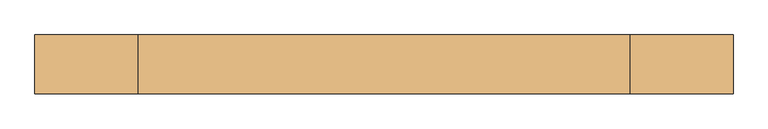
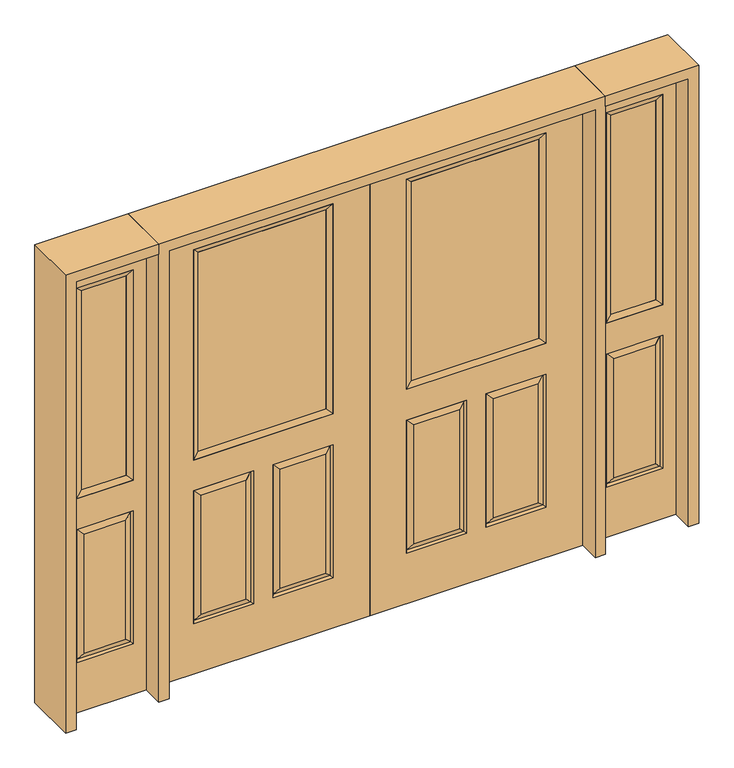
"""IFC4 building model written with IfcOpenShell, lengths in millimetres: door geometry."""

from ifc_helpers import new_model, si_unit, frame, origin, place, context, project, spatial, polyline, outline, extrude, faceted_brep, source, transform, mapped, element, save


def door_e7395d15(model_context):
    return source(origin(), model_context, "Body", "SolidModel", [
        faceted_brep([(914.4, -22.225, 0.0), (914.4, -22.225, 2032.0), (0.0, -22.225, 2032.0), (0.0, -22.225, 0.0), (756.539, -22.225, 971.55), (157.861, -22.225, 971.55), (157.861, -22.225, 1925.574), (756.539, -22.225, 1925.574), (756.539, -22.225, 831.85), (756.539, -22.225, 228.6), (498.475, -22.225, 228.6), (498.475, -22.225, 831.85), (415.925, -22.225, 831.85), (415.925, -22.225, 228.6), (157.861, -22.225, 228.6), (157.861, -22.225, 831.85), (530.225, -22.225, 800.1), (530.225, -22.225, 260.35), (724.789, -22.225, 260.35), (724.789, -22.225, 800.1), (189.611, -22.225, 800.1), (189.611, -22.225, 260.35), (384.175, -22.225, 260.35), (384.175, -22.225, 800.1), (0.0, 22.225, 0.0), (914.4, 22.225, 0.0), (0.0, 22.225, 2032.0), (914.4, 22.225, 2032.0), (756.539, 22.225, 1925.574), (756.539, 22.225, 971.55), (157.861, 22.225, 971.55), (157.861, 22.225, 1925.574), (498.475, 22.225, 831.85), (498.475, 22.225, 228.6), (756.539, 22.225, 228.6), (756.539, 22.225, 831.85), (157.861, 22.225, 831.85), (157.861, 22.225, 228.6), (415.925, 22.225, 228.6), (415.925, 22.225, 831.85), (724.789, 22.225, 800.1), (724.789, 22.225, 260.35), (530.225, 22.225, 260.35), (530.225, 22.225, 800.1), (384.175, 22.225, 800.1), (384.175, 22.225, 260.35), (189.611, 22.225, 260.35), (189.611, 22.225, 800.1), (749.39525, -12.7449236, 824.70625), (505.61875, -12.7449236, 824.70625), (749.39525, -12.7449236, 235.74375), (505.61875, -12.7449236, 235.74375), (165.00475, -12.7449236, 824.70625), (408.78125, -12.7449236, 824.70625), (408.78125, -12.7449236, 235.74375), (165.00475, -12.7449236, 235.74375), (749.39525, 12.7449236, 824.70625), (505.61875, 12.7449236, 824.70625), (505.61875, 12.7449236, 235.74375), (749.39525, 12.7449236, 235.74375), (165.00475, 12.7449236, 824.70625), (408.78125, 12.7449236, 824.70625), (165.00475, 12.7449236, 235.74375), (408.78125, 12.7449236, 235.74375)], [[[0, 1, 2, 3], [4, 5, 6, 7], [8, 9, 10, 11], [12, 13, 14, 15]], [[16, 17, 18, 19]], [[20, 21, 22, 23]], [[3, 24, 25, 0]], [[2, 26, 24, 3]], [[0, 25, 27, 1]], [[7, 28, 29, 4]], [[5, 30, 31, 6]], [[4, 29, 30, 5]], [[25, 24, 26, 27], [29, 28, 31, 30], [32, 33, 34, 35], [36, 37, 38, 39]], [[40, 41, 42, 43]], [[44, 45, 46, 47]], [[1, 27, 26, 2]], [[6, 31, 28, 7]], [[16, 19, 48, 49]], [[19, 18, 50, 48]], [[51, 50, 18, 17]], [[49, 51, 17, 16]], [[48, 8, 11, 49]], [[11, 10, 51, 49]], [[10, 9, 50, 51]], [[48, 50, 9, 8]], [[52, 20, 23, 53]], [[23, 22, 54, 53]], [[22, 21, 55, 54]], [[52, 55, 21, 20]], [[53, 12, 15, 52]], [[15, 14, 55, 52]], [[54, 55, 14, 13]], [[53, 54, 13, 12]], [[56, 40, 43, 57]], [[43, 42, 58, 57]], [[42, 41, 59, 58]], [[56, 59, 41, 40]], [[57, 32, 35, 56]], [[35, 34, 59, 56]], [[58, 59, 34, 33]], [[57, 58, 33, 32]], [[44, 47, 60, 61]], [[47, 46, 62, 60]], [[63, 62, 46, 45]], [[61, 63, 45, 44]], [[60, 36, 39, 61]], [[39, 38, 63, 61]], [[38, 37, 62, 63]], [[60, 62, 37, 36]]]),
        extrude(outline(polyline([(183.261, -12.7), (183.261, 12.7), (731.139, 12.7), (731.139, -12.7), (183.261, -12.7)])), frame((0.0, 0.0, 996.95), z_axis=(0.0, 0.0, 1.0), x_axis=(1.0, 0.0, 0.0)), (0.0, 0.0, 1.0), 903.224),
        faceted_brep([(756.539, -22.225, 1925.574), (756.539, -22.225, 971.55), (756.539, 22.225, 971.55), (756.539, 22.225, 1925.574), (157.861, -22.225, 971.55), (157.861, 22.225, 971.55), (183.261, 12.7, 996.95), (731.139, 12.7, 996.95), (157.861, -22.225, 1925.574), (157.861, 22.225, 1925.574), (731.139, -12.7, 996.95), (183.261, -12.7, 996.95), (731.139, -12.7, 1900.174), (183.261, -12.7, 1900.174), (731.139, 12.7, 1900.174), (183.261, 12.7, 1900.174)], [[[0, 1, 2, 3]], [[1, 4, 5, 2]], [[2, 5, 6, 7]], [[4, 8, 9, 5]], [[10, 11, 4, 1]], [[12, 10, 1, 0]], [[11, 13, 8, 4]], [[7, 6, 11, 10]], [[14, 7, 10, 12]], [[6, 15, 13, 11]], [[3, 2, 7, 14]], [[5, 9, 15, 6]], [[8, 0, 3, 9]], [[13, 12, 0, 8]], [[15, 14, 12, 13]], [[9, 3, 14, 15]]]),
        faceted_brep([(-914.4, -22.225, 0.0), (0.0, -22.225, 0.0), (0.0, -22.225, 2032.0), (-914.4, -22.225, 2032.0), (-756.539, -22.225, 971.55), (-756.539, -22.225, 1925.574), (-157.861, -22.225, 1925.574), (-157.861, -22.225, 971.55), (-756.539, -22.225, 831.85), (-498.475, -22.225, 831.85), (-498.475, -22.225, 228.6), (-756.539, -22.225, 228.6), (-415.925, -22.225, 831.85), (-157.861, -22.225, 831.85), (-157.861, -22.225, 228.6), (-415.925, -22.225, 228.6), (-530.225, -22.225, 800.1), (-724.789, -22.225, 800.1), (-724.789, -22.225, 260.35), (-530.225, -22.225, 260.35), (-189.611, -22.225, 800.1), (-384.175, -22.225, 800.1), (-384.175, -22.225, 260.35), (-189.611, -22.225, 260.35), (-914.4, 22.225, 0.0), (0.0, 22.225, 0.0), (0.0, 22.225, 2032.0), (-914.4, 22.225, 2032.0), (-756.539, 22.225, 971.55), (-756.539, 22.225, 1925.574), (-157.861, 22.225, 1925.574), (-157.861, 22.225, 971.55), (-498.475, 22.225, 831.85), (-756.539, 22.225, 831.85), (-756.539, 22.225, 228.6), (-498.475, 22.225, 228.6), (-157.861, 22.225, 831.85), (-415.925, 22.225, 831.85), (-415.925, 22.225, 228.6), (-157.861, 22.225, 228.6), (-724.789, 22.225, 800.1), (-530.225, 22.225, 800.1), (-530.225, 22.225, 260.35), (-724.789, 22.225, 260.35), (-384.175, 22.225, 800.1), (-189.611, 22.225, 800.1), (-189.611, 22.225, 260.35), (-384.175, 22.225, 260.35), (-505.61875, -12.7449236, 824.70625), (-749.39525, -12.7449236, 824.70625), (-749.39525, -12.7449236, 235.74375), (-505.61875, -12.7449236, 235.74375), (-165.00475, -12.7449236, 824.70625), (-408.78125, -12.7449236, 824.70625), (-408.78125, -12.7449236, 235.74375), (-165.00475, -12.7449236, 235.74375), (-749.39525, 12.7449236, 824.70625), (-505.61875, 12.7449236, 824.70625), (-505.61875, 12.7449236, 235.74375), (-749.39525, 12.7449236, 235.74375), (-408.78125, 12.7449236, 824.70625), (-165.00475, 12.7449236, 824.70625), (-165.00475, 12.7449236, 235.74375), (-408.78125, 12.7449236, 235.74375)], [[[0, 1, 2, 3], [4, 5, 6, 7], [8, 9, 10, 11], [12, 13, 14, 15]], [[16, 17, 18, 19]], [[20, 21, 22, 23]], [[1, 0, 24, 25]], [[2, 1, 25, 26]], [[0, 3, 27, 24]], [[5, 4, 28, 29]], [[7, 6, 30, 31]], [[4, 7, 31, 28]], [[24, 27, 26, 25], [28, 31, 30, 29], [32, 33, 34, 35], [36, 37, 38, 39]], [[40, 41, 42, 43]], [[44, 45, 46, 47]], [[3, 2, 26, 27]], [[6, 5, 29, 30]], [[16, 48, 49, 17]], [[17, 49, 50, 18]], [[51, 19, 18, 50]], [[48, 16, 19, 51]], [[49, 48, 9, 8]], [[9, 48, 51, 10]], [[10, 51, 50, 11]], [[49, 8, 11, 50]], [[52, 53, 21, 20]], [[21, 53, 54, 22]], [[22, 54, 55, 23]], [[52, 20, 23, 55]], [[53, 52, 13, 12]], [[13, 52, 55, 14]], [[54, 15, 14, 55]], [[53, 12, 15, 54]], [[56, 57, 41, 40]], [[41, 57, 58, 42]], [[42, 58, 59, 43]], [[56, 40, 43, 59]], [[57, 56, 33, 32]], [[33, 56, 59, 34]], [[58, 35, 34, 59]], [[57, 32, 35, 58]], [[44, 60, 61, 45]], [[45, 61, 62, 46]], [[63, 47, 46, 62]], [[60, 44, 47, 63]], [[61, 60, 37, 36]], [[37, 60, 63, 38]], [[38, 63, 62, 39]], [[61, 36, 39, 62]]]),
        extrude(outline(polyline([(-183.261, -12.7), (-731.139, -12.7), (-731.139, 12.7), (-183.261, 12.7), (-183.261, -12.7)])), frame((0.0, 0.0, 996.95), z_axis=(0.0, 0.0, 1.0), x_axis=(1.0, 0.0, 0.0)), (0.0, 0.0, 1.0), 903.224),
        faceted_brep([(-756.539, -22.225, 1925.574), (-756.539, 22.225, 1925.574), (-756.539, 22.225, 971.55), (-756.539, -22.225, 971.55), (-157.861, 22.225, 971.55), (-157.861, -22.225, 971.55), (-731.139, 12.7, 996.95), (-183.261, 12.7, 996.95), (-157.861, 22.225, 1925.574), (-157.861, -22.225, 1925.574), (-731.139, -12.7, 996.95), (-183.261, -12.7, 996.95), (-731.139, -12.7, 1900.174), (-183.261, -12.7, 1900.174), (-731.139, 12.7, 1900.174), (-183.261, 12.7, 1900.174)], [[[0, 1, 2, 3]], [[3, 2, 4, 5]], [[2, 6, 7, 4]], [[5, 4, 8, 9]], [[10, 3, 5, 11]], [[12, 0, 3, 10]], [[11, 5, 9, 13]], [[6, 10, 11, 7]], [[14, 12, 10, 6]], [[7, 11, 13, 15]], [[1, 14, 6, 2]], [[4, 7, 15, 8]], [[9, 8, 1, 0]], [[13, 9, 0, 12]], [[15, 13, 12, 14]], [[8, 15, 14, 1]]]),
        faceted_brep([(1314.45, -22.225, 0.0), (1314.45, -22.225, 2032.0), (958.85, -22.225, 2032.0), (958.85, -22.225, 0.0), (1015.238, -22.225, 1925.574), (1258.062, -22.225, 1925.574), (1258.062, -22.225, 971.55), (1015.238, -22.225, 971.55), (1015.238, -22.225, 228.6), (1015.238, -22.225, 831.85), (1258.062, -22.225, 831.85), (1258.062, -22.225, 228.6), (1226.1559872, -22.225, 260.5060128), (1226.1559872, -22.225, 799.9439872), (1047.1440128, -22.225, 799.9439872), (1047.1440128, -22.225, 260.5060128), (958.85, 22.225, 0.0), (1314.45, 22.225, 0.0), (958.85, 22.225, 2032.0), (1314.45, 22.225, 2032.0), (1015.238, 22.225, 971.55), (1015.238, 22.225, 1925.574), (1258.062, 22.225, 971.55), (1258.062, 22.225, 1925.574), (1258.062, 22.225, 228.6), (1258.062, 22.225, 831.85), (1015.238, 22.225, 831.85), (1015.238, 22.225, 228.6), (1047.1440128, 22.225, 260.5060128), (1047.1440128, 22.225, 799.9439872), (1226.1559872, 22.225, 799.9439872), (1226.1559872, 22.225, 260.5060128), (1251.1419933, -13.0418409, 235.5200067), (1022.1580067, -13.0418409, 235.5200067), (1251.1419933, -13.0418409, 824.9299933), (1022.1580067, -13.0418409, 824.9299933), (1251.1419933, 13.0418409, 235.5200067), (1022.1580067, 13.0418409, 235.5200067), (1022.1580067, 13.0418409, 824.9299933), (1251.1419933, 13.0418409, 824.9299933)], [[[0, 1, 2, 3], [4, 5, 6, 7], [8, 9, 10, 11]], [[12, 13, 14, 15]], [[3, 16, 17, 0]], [[2, 18, 16, 3]], [[0, 17, 19, 1]], [[7, 20, 21, 4]], [[6, 22, 20, 7]], [[5, 23, 22, 6]], [[17, 16, 18, 19], [21, 20, 22, 23], [24, 25, 26, 27]], [[28, 29, 30, 31]], [[1, 19, 18, 2]], [[4, 21, 23, 5]], [[8, 11, 32, 33]], [[11, 10, 34, 32]], [[35, 34, 10, 9]], [[33, 35, 9, 8]], [[32, 12, 15, 33]], [[15, 14, 35, 33]], [[14, 13, 34, 35]], [[32, 34, 13, 12]], [[36, 24, 27, 37]], [[27, 26, 38, 37]], [[26, 25, 39, 38]], [[36, 39, 25, 24]], [[37, 28, 31, 36]], [[31, 30, 39, 36]], [[38, 39, 30, 29]], [[37, 38, 29, 28]]]),
        extrude(outline(polyline([(1040.638, -12.7), (1040.638, 12.7), (1232.662, 12.7), (1232.662, -12.7), (1040.638, -12.7)])), frame((0.0, 0.0, 996.95), z_axis=(0.0, 0.0, 1.0), x_axis=(1.0, 0.0, 0.0)), (0.0, 0.0, 1.0), 903.224),
        faceted_brep([(1258.062, -22.225, 1925.574), (1258.062, -22.225, 971.55), (1258.062, 22.225, 971.55), (1258.062, 22.225, 1925.574), (1015.238, -22.225, 971.55), (1015.238, 22.225, 971.55), (1040.638, 12.7, 996.95), (1232.662, 12.7, 996.95), (1015.238, -22.225, 1925.574), (1015.238, 22.225, 1925.574), (1232.662, -12.7, 996.95), (1040.638, -12.7, 996.95), (1232.662, -12.7, 1900.174), (1040.638, -12.7, 1900.174), (1232.662, 12.7, 1900.174), (1040.638, 12.7, 1900.174)], [[[0, 1, 2, 3]], [[1, 4, 5, 2]], [[2, 5, 6, 7]], [[4, 8, 9, 5]], [[10, 11, 4, 1]], [[12, 10, 1, 0]], [[11, 13, 8, 4]], [[7, 6, 11, 10]], [[14, 7, 10, 12]], [[6, 15, 13, 11]], [[3, 2, 7, 14]], [[5, 9, 15, 6]], [[8, 0, 3, 9]], [[13, 12, 0, 8]], [[15, 14, 12, 13]], [[9, 3, 14, 15]]]),
        faceted_brep([(-1314.45, -22.225, 0.0), (-958.85, -22.225, 0.0), (-958.85, -22.225, 2032.0), (-1314.45, -22.225, 2032.0), (-1015.238, -22.225, 1925.574), (-1015.238, -22.225, 971.55), (-1258.062, -22.225, 971.55), (-1258.062, -22.225, 1925.574), (-1015.238, -22.225, 228.6), (-1258.062, -22.225, 228.6), (-1258.062, -22.225, 831.85), (-1015.238, -22.225, 831.85), (-1226.1559872, -22.225, 260.5060128), (-1047.1440128, -22.225, 260.5060128), (-1047.1440128, -22.225, 799.9439872), (-1226.1559872, -22.225, 799.9439872), (-1314.45, 22.225, 0.0), (-958.85, 22.225, 0.0), (-958.85, 22.225, 2032.0), (-1314.45, 22.225, 2032.0), (-1015.238, 22.225, 1925.574), (-1015.238, 22.225, 971.55), (-1258.062, 22.225, 971.55), (-1258.062, 22.225, 1925.574), (-1258.062, 22.225, 228.6), (-1015.238, 22.225, 228.6), (-1015.238, 22.225, 831.85), (-1258.062, 22.225, 831.85), (-1047.1440128, 22.225, 260.5060128), (-1226.1559872, 22.225, 260.5060128), (-1226.1559872, 22.225, 799.9439872), (-1047.1440128, 22.225, 799.9439872), (-1022.1580067, -13.0418409, 235.5200067), (-1251.1419933, -13.0418409, 235.5200067), (-1251.1419933, -13.0418409, 824.9299933), (-1022.1580067, -13.0418409, 824.9299933), (-1251.1419933, 13.0418409, 235.5200067), (-1022.1580067, 13.0418409, 235.5200067), (-1022.1580067, 13.0418409, 824.9299933), (-1251.1419933, 13.0418409, 824.9299933)], [[[0, 1, 2, 3], [4, 5, 6, 7], [8, 9, 10, 11]], [[12, 13, 14, 15]], [[1, 0, 16, 17]], [[2, 1, 17, 18]], [[0, 3, 19, 16]], [[5, 4, 20, 21]], [[6, 5, 21, 22]], [[7, 6, 22, 23]], [[16, 19, 18, 17], [20, 23, 22, 21], [24, 25, 26, 27]], [[28, 29, 30, 31]], [[3, 2, 18, 19]], [[4, 7, 23, 20]], [[8, 32, 33, 9]], [[9, 33, 34, 10]], [[35, 11, 10, 34]], [[32, 8, 11, 35]], [[33, 32, 13, 12]], [[13, 32, 35, 14]], [[14, 35, 34, 15]], [[33, 12, 15, 34]], [[36, 37, 25, 24]], [[25, 37, 38, 26]], [[26, 38, 39, 27]], [[36, 24, 27, 39]], [[37, 36, 29, 28]], [[29, 36, 39, 30]], [[38, 31, 30, 39]], [[37, 28, 31, 38]]]),
        extrude(outline(polyline([(-1040.638, -12.7), (-1232.662, -12.7), (-1232.662, 12.7), (-1040.638, 12.7), (-1040.638, -12.7)])), frame((0.0, 0.0, 996.95), z_axis=(0.0, 0.0, 1.0), x_axis=(1.0, 0.0, 0.0)), (0.0, 0.0, 1.0), 903.224),
        faceted_brep([(-1258.062, -22.225, 1925.574), (-1258.062, 22.225, 1925.574), (-1258.062, 22.225, 971.55), (-1258.062, -22.225, 971.55), (-1015.238, 22.225, 971.55), (-1015.238, -22.225, 971.55), (-1232.662, 12.7, 996.95), (-1040.638, 12.7, 996.95), (-1015.238, 22.225, 1925.574), (-1015.238, -22.225, 1925.574), (-1232.662, -12.7, 996.95), (-1040.638, -12.7, 996.95), (-1232.662, -12.7, 1900.174), (-1040.638, -12.7, 1900.174), (-1232.662, 12.7, 1900.174), (-1040.638, 12.7, 1900.174)], [[[0, 1, 2, 3]], [[3, 2, 4, 5]], [[2, 6, 7, 4]], [[5, 4, 8, 9]], [[10, 3, 5, 11]], [[12, 0, 3, 10]], [[11, 5, 9, 13]], [[6, 10, 11, 7]], [[14, 12, 10, 6]], [[7, 11, 13, 15]], [[1, 14, 6, 2]], [[4, 7, 15, 8]], [[9, 8, 1, 0]], [[13, 9, 0, 12]], [[15, 13, 12, 14]], [[8, 15, 14, 1]]]),
        extrude(outline(polyline([(2032.0, -958.85), (2076.45, -958.85), (2076.45, -1358.9), (0.0, -1358.9), (0.0, -1314.45), (2032.0, -1314.45), (2032.0, -958.85)])), frame((0.0, -114.3, 0.0), z_axis=(0.0, 1.0, 0.0), x_axis=(0.0, 0.0, 1.0)), (0.0, 0.0, 1.0), 228.6),
        extrude(outline(polyline([(2076.45, 958.85), (2032.0, 958.85), (2032.0, 1314.45), (0.0, 1314.45), (0.0, 1358.9), (2076.45, 1358.9), (2076.45, 958.85)])), frame((0.0, -114.3, 0.0), z_axis=(0.0, 1.0, 0.0), x_axis=(0.0, 0.0, 1.0)), (0.0, 0.0, 1.0), 228.6),
        extrude(outline(polyline([(0.0, -958.85), (0.0, -914.4), (2032.0, -914.4), (2032.0, 914.4), (0.0, 914.4), (0.0, 958.85), (2076.45, 958.85), (2076.45, -958.85), (0.0, -958.85)])), frame((0.0, -114.3, 0.0), z_axis=(0.0, 1.0, 0.0), x_axis=(0.0, 0.0, 1.0)), (0.0, 0.0, 1.0), 228.6),
    ])


if __name__ == "__main__":
    model = new_model("IFC4")
    model_context = context("Model", 3, world=origin())
    ifc_project = project(units=[si_unit("LENGTHUNIT", "METRE", prefix="MILLI")], contexts=[model_context])
    site = spatial("IfcSite", under=ifc_project)
    building = spatial("IfcBuilding", under=site)
    placement = place(None, origin())
    door_shape = door_e7395d15(model_context)
    element("IfcDoor", 1, at=placement, inside=building, context=model_context, shape_type="MappedRepresentation", body=[
        mapped(door_shape, transform((0.0, 0.0, 0.0), x_axis=(1.0, 0.0, 0.0), y_axis=(0.0, 1.0, 0.0), z_axis=(0.0, 0.0, 1.0))),
    ])
    save(model, "model.ifc")
